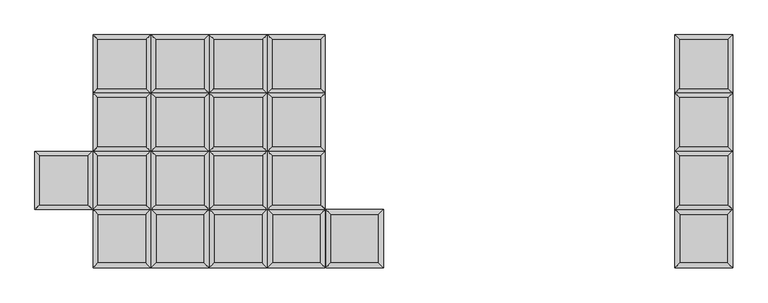
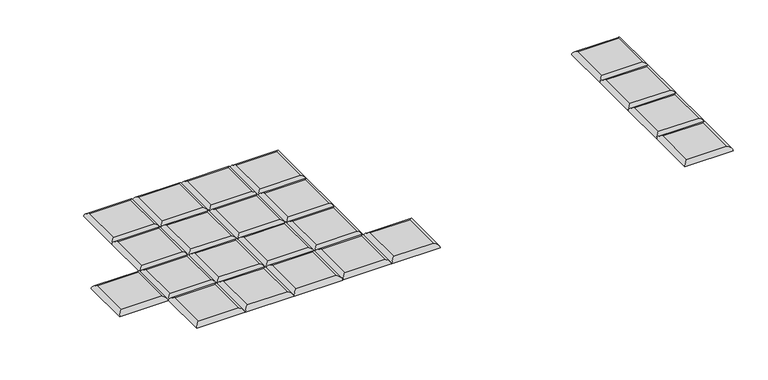
"""IFC4 building model written with IfcOpenShell, lengths in millimetres: furniture geometry."""

from ifc_helpers import new_model, si_unit, frame, origin, place, context, project, spatial, ellipse_curve, source, transform, mapped, element, save
from ifc_brep_helpers import plane_surface, cylinder_surface, advanced_brep


def furniture_75dfa59d(model_context):
    return source(origin(), model_context, "Body", "AdvancedBrep", [
        advanced_brep(
        [(-1.0968182, -222.25, 393.7), (-19.0573304, -240.2105122, 411.6605122), (-19.0573304, -426.5394878, 411.6605122), (-1.0968182, -444.5, 393.7), (-202.8463059, -426.5394878, 411.6605122), (-220.8068182, -444.5, 393.7), (-202.8463059, -240.2105122, 411.6605122), (-220.8068182, -222.25, 393.7)],
        [
            (0, 1, ellipse_curve(frame((-19.0573304, -240.2105122, 393.7), z_axis=(0.7071067811865475, -0.7071067811865475, 0.0), x_axis=(0.7071067811865474, 0.7071067811865476, 0.0)), 25.4, 17.9605122)),
            (1, 2),
            (2, 3, ellipse_curve(frame((-19.0573304, -426.5394878, 393.7), z_axis=(0.7071067811865475, 0.7071067811865475, 0.0), x_axis=(-0.7071067811865474, 0.7071067811865476, 0.0)), 25.4, 17.9605122)),
            (3, 0),
            (2, 4),
            (4, 5, ellipse_curve(frame((-202.8463059, -426.5394878, 393.7), z_axis=(0.7071067811865475, -0.7071067811865475, 0.0), x_axis=(0.7071067811865476, 0.7071067811865474, 0.0)), 25.4, 17.9605122)),
            (5, 3),
            (4, 6),
            (6, 7, ellipse_curve(frame((-202.8463059, -240.2105122, 393.7), z_axis=(-0.7071067811865475, -0.7071067811865475, 0.0), x_axis=(0.7071067811865474, -0.7071067811865476, 0.0)), 25.4, 17.9605122)),
            (7, 5),
            (0, 7),
            (6, 1),
        ],
        [
            cylinder_surface(frame((-19.0573304, -222.25, 393.7), z_axis=(0.0, 1.0, 0.0), x_axis=(1.0, 0.0, 0.0)), 17.9605122),
            cylinder_surface(frame((-1.0968182, -426.5394878, 393.7), z_axis=(1.0, 0.0, 0.0), x_axis=(0.0, -1.0, 0.0)), 17.9605122),
            cylinder_surface(frame((-202.8463059, -444.5, 393.7), z_axis=(0.0, -1.0, 0.0), x_axis=(-1.0, 0.0, 0.0)), 17.9605122),
            cylinder_surface(frame((-220.8068182, -240.2105122, 393.7), z_axis=(-1.0, 0.0, 0.0), x_axis=(0.0, 1.0, 0.0)), 17.9605122),
            plane_surface(frame((-220.8068182, -222.25, 393.7), z_axis=(0.0, 0.0, -1.0), x_axis=(1.0, 0.0, 0.0))),
            plane_surface(frame((-202.8463059, -240.2105122, 411.6605122), z_axis=(0.0, 0.0, 1.0), x_axis=(-1.0, 0.0, 0.0))),
        ],
        [
            (0, [[1, 2, 3, 4]]),
            (1, [[-3, 5, 6, 7]]),
            (2, [[-6, 8, 9, 10]]),
            (3, [[-1, 11, -9, 12]]),
            (4, [[-4, -7, -10, -11]]),
            (5, [[-2, -12, -8, -5]]),
        ],
    ),
        advanced_brep(
        [(-240.9609668, -204.2894878, 411.6605122), (-240.9609668, -17.9605122, 411.6605122), (-424.7499423, -17.9605122, 411.6605122), (-424.7499423, -204.2894878, 411.6605122), (-223.0004545, 0.0, 393.7), (-223.0004545, -222.25, 393.7), (-442.7104545, -222.25, 393.7), (-442.7104545, 0.0, 393.7)],
        [
            (0, 1),
            (1, 2),
            (2, 3),
            (3, 0),
            (4, 5),
            (5, 6),
            (6, 7),
            (7, 4),
            (4, 1, ellipse_curve(frame((-240.9609668, -17.9605122, 393.7), z_axis=(0.7071067811865475, -0.7071067811865475, 0.0), x_axis=(0.7071067811865474, 0.7071067811865476, 0.0)), 25.4, 17.9605122)),
            (0, 5, ellipse_curve(frame((-240.9609668, -204.2894878, 393.7), z_axis=(0.7071067811865475, 0.7071067811865475, 0.0), x_axis=(-0.7071067811865474, 0.7071067811865476, 0.0)), 25.4, 17.9605122)),
            (3, 6, ellipse_curve(frame((-424.7499423, -204.2894878, 393.7), z_axis=(0.7071067811865475, -0.7071067811865475, 0.0), x_axis=(0.7071067811865476, 0.7071067811865474, 0.0)), 25.4, 17.9605122)),
            (2, 7, ellipse_curve(frame((-424.7499423, -17.9605122, 393.7), z_axis=(-0.7071067811865475, -0.7071067811865475, 0.0), x_axis=(0.7071067811865474, -0.7071067811865476, 0.0)), 25.4, 17.9605122)),
        ],
        [
            plane_surface(frame((-424.7499423, -17.9605122, 411.6605122), z_axis=(0.0, 0.0, 1.0), x_axis=(-1.0, 0.0, 0.0))),
            plane_surface(frame((-424.7499423, -17.9605122, 393.7), z_axis=(0.0, 0.0, -1.0), x_axis=(1.0, 0.0, 0.0))),
            cylinder_surface(frame((-240.9609668, 0.0, 393.7), z_axis=(0.0, 1.0, 0.0), x_axis=(1.0, 0.0, 0.0)), 17.9605122),
            cylinder_surface(frame((-223.0004545, -204.2894878, 393.7), z_axis=(1.0, 0.0, 0.0), x_axis=(0.0, -1.0, 0.0)), 17.9605122),
            cylinder_surface(frame((-424.7499423, -222.25, 393.7), z_axis=(0.0, -1.0, 0.0), x_axis=(-1.0, 0.0, 0.0)), 17.9605122),
            cylinder_surface(frame((-442.7104545, -17.9605122, 393.7), z_axis=(-1.0, 0.0, 0.0), x_axis=(0.0, 1.0, 0.0)), 17.9605122),
        ],
        [
            (0, [[1, 2, 3, 4]]),
            (1, [[5, 6, 7, 8]]),
            (2, [[9, -1, 10, -5]]),
            (3, [[-10, -4, 11, -6]]),
            (4, [[-11, -3, 12, -7]]),
            (5, [[-9, -8, -12, -2]]),
        ],
    ),
        advanced_brep(
        [(-240.9609668, 17.9605122, 411.6605122), (-240.9609668, 204.2894878, 411.6605122), (-424.7499423, 204.2894878, 411.6605122), (-424.7499423, 17.9605122, 411.6605122), (-223.0004545, 222.25, 393.7), (-223.0004545, 0.0, 393.7), (-442.7104545, 0.0, 393.7), (-442.7104545, 222.25, 393.7)],
        [
            (0, 1),
            (1, 2),
            (2, 3),
            (3, 0),
            (4, 5),
            (5, 6),
            (6, 7),
            (7, 4),
            (4, 1, ellipse_curve(frame((-240.9609668, 204.2894878, 393.7), z_axis=(0.7071067811865475, -0.7071067811865475, 0.0), x_axis=(0.7071067811865474, 0.7071067811865476, 0.0)), 25.4, 17.9605122)),
            (0, 5, ellipse_curve(frame((-240.9609668, 17.9605122, 393.7), z_axis=(0.7071067811865475, 0.7071067811865475, 0.0), x_axis=(-0.7071067811865474, 0.7071067811865476, 0.0)), 25.4, 17.9605122)),
            (3, 6, ellipse_curve(frame((-424.7499423, 17.9605122, 393.7), z_axis=(0.7071067811865475, -0.7071067811865475, 0.0), x_axis=(0.7071067811865476, 0.7071067811865474, 0.0)), 25.4, 17.9605122)),
            (2, 7, ellipse_curve(frame((-424.7499423, 204.2894878, 393.7), z_axis=(-0.7071067811865475, -0.7071067811865475, 0.0), x_axis=(0.7071067811865474, -0.7071067811865476, 0.0)), 25.4, 17.9605122)),
        ],
        [
            plane_surface(frame((-424.7499423, 204.2894878, 411.6605122), z_axis=(0.0, 0.0, 1.0), x_axis=(-1.0, 0.0, 0.0))),
            plane_surface(frame((-424.7499423, 204.2894878, 393.7), z_axis=(0.0, 0.0, -1.0), x_axis=(1.0, 0.0, 0.0))),
            cylinder_surface(frame((-240.9609668, 222.25, 393.7), z_axis=(0.0, 1.0, 0.0), x_axis=(1.0, 0.0, 0.0)), 17.9605122),
            cylinder_surface(frame((-223.0004545, 17.9605122, 393.7), z_axis=(1.0, 0.0, 0.0), x_axis=(0.0, -1.0, 0.0)), 17.9605122),
            cylinder_surface(frame((-424.7499423, 0.0, 393.7), z_axis=(0.0, -1.0, 0.0), x_axis=(-1.0, 0.0, 0.0)), 17.9605122),
            cylinder_surface(frame((-442.7104545, 204.2894878, 393.7), z_axis=(-1.0, 0.0, 0.0), x_axis=(0.0, 1.0, 0.0)), 17.9605122),
        ],
        [
            (0, [[1, 2, 3, 4]]),
            (1, [[5, 6, 7, 8]]),
            (2, [[9, -1, 10, -5]]),
            (3, [[-10, -4, 11, -6]]),
            (4, [[-11, -3, 12, -7]]),
            (5, [[-9, -8, -12, -2]]),
        ],
    ),
        advanced_brep(
        [(-240.9609668, 240.2105122, 411.6605122), (-240.9609668, 426.5394878, 411.6605122), (-424.7499423, 426.5394878, 411.6605122), (-424.7499423, 240.2105122, 411.6605122), (-223.0004545, 444.5, 393.7), (-223.0004545, 222.25, 393.7), (-442.7104545, 222.25, 393.7), (-442.7104545, 444.5, 393.7)],
        [
            (0, 1),
            (1, 2),
            (2, 3),
            (3, 0),
            (4, 5),
            (5, 6),
            (6, 7),
            (7, 4),
            (4, 1, ellipse_curve(frame((-240.9609668, 426.5394878, 393.7), z_axis=(0.7071067811865475, -0.7071067811865475, 0.0), x_axis=(0.7071067811865474, 0.7071067811865476, 0.0)), 25.4, 17.9605122)),
            (0, 5, ellipse_curve(frame((-240.9609668, 240.2105122, 393.7), z_axis=(0.7071067811865475, 0.7071067811865475, 0.0), x_axis=(-0.7071067811865474, 0.7071067811865476, 0.0)), 25.4, 17.9605122)),
            (3, 6, ellipse_curve(frame((-424.7499423, 240.2105122, 393.7), z_axis=(0.7071067811865475, -0.7071067811865475, 0.0), x_axis=(0.7071067811865476, 0.7071067811865474, 0.0)), 25.4, 17.9605122)),
            (2, 7, ellipse_curve(frame((-424.7499423, 426.5394878, 393.7), z_axis=(-0.7071067811865475, -0.7071067811865475, 0.0), x_axis=(0.7071067811865474, -0.7071067811865476, 0.0)), 25.4, 17.9605122)),
        ],
        [
            plane_surface(frame((-424.7499423, 426.5394878, 411.6605122), z_axis=(0.0, 0.0, 1.0), x_axis=(-1.0, 0.0, 0.0))),
            plane_surface(frame((-424.7499423, 426.5394878, 393.7), z_axis=(0.0, 0.0, -1.0), x_axis=(1.0, 0.0, 0.0))),
            cylinder_surface(frame((-240.9609668, 444.5, 393.7), z_axis=(0.0, 1.0, 0.0), x_axis=(1.0, 0.0, 0.0)), 17.9605122),
            cylinder_surface(frame((-223.0004545, 240.2105122, 393.7), z_axis=(1.0, 0.0, 0.0), x_axis=(0.0, -1.0, 0.0)), 17.9605122),
            cylinder_surface(frame((-424.7499423, 222.25, 393.7), z_axis=(0.0, -1.0, 0.0), x_axis=(-1.0, 0.0, 0.0)), 17.9605122),
            cylinder_surface(frame((-442.7104545, 426.5394878, 393.7), z_axis=(-1.0, 0.0, 0.0), x_axis=(0.0, 1.0, 0.0)), 17.9605122),
        ],
        [
            (0, [[1, 2, 3, 4]]),
            (1, [[5, 6, 7, 8]]),
            (2, [[9, -1, 10, -5]]),
            (3, [[-10, -4, 11, -6]]),
            (4, [[-11, -3, 12, -7]]),
            (5, [[-9, -8, -12, -2]]),
        ],
    ),
        advanced_brep(
        [(-223.0004545, -222.25, 393.7), (-240.9609668, -240.2105122, 411.6605122), (-240.9609668, -426.5394878, 411.6605122), (-223.0004545, -444.5, 393.7), (-424.7499423, -426.5394878, 411.6605122), (-442.7104545, -444.5, 393.7), (-424.7499423, -240.2105122, 411.6605122), (-442.7104545, -222.25, 393.7)],
        [
            (0, 1, ellipse_curve(frame((-240.9609668, -240.2105122, 393.7), z_axis=(0.7071067811865475, -0.7071067811865475, 0.0), x_axis=(0.7071067811865474, 0.7071067811865476, 0.0)), 25.4, 17.9605122)),
            (1, 2),
            (2, 3, ellipse_curve(frame((-240.9609668, -426.5394878, 393.7), z_axis=(0.7071067811865475, 0.7071067811865475, 0.0), x_axis=(-0.7071067811865474, 0.7071067811865476, 0.0)), 25.4, 17.9605122)),
            (3, 0),
            (2, 4),
            (4, 5, ellipse_curve(frame((-424.7499423, -426.5394878, 393.7), z_axis=(0.7071067811865475, -0.7071067811865475, 0.0), x_axis=(0.7071067811865476, 0.7071067811865474, 0.0)), 25.4, 17.9605122)),
            (5, 3),
            (4, 6),
            (6, 7, ellipse_curve(frame((-424.7499423, -240.2105122, 393.7), z_axis=(-0.7071067811865475, -0.7071067811865475, 0.0), x_axis=(0.7071067811865474, -0.7071067811865476, 0.0)), 25.4, 17.9605122)),
            (7, 5),
            (0, 7),
            (6, 1),
        ],
        [
            cylinder_surface(frame((-240.9609668, -222.25, 393.7), z_axis=(0.0, 1.0, 0.0), x_axis=(1.0, 0.0, 0.0)), 17.9605122),
            cylinder_surface(frame((-223.0004545, -426.5394878, 393.7), z_axis=(1.0, 0.0, 0.0), x_axis=(0.0, -1.0, 0.0)), 17.9605122),
            cylinder_surface(frame((-424.7499423, -444.5, 393.7), z_axis=(0.0, -1.0, 0.0), x_axis=(-1.0, 0.0, 0.0)), 17.9605122),
            cylinder_surface(frame((-442.7104545, -240.2105122, 393.7), z_axis=(-1.0, 0.0, 0.0), x_axis=(0.0, 1.0, 0.0)), 17.9605122),
            plane_surface(frame((-442.7104545, -222.25, 393.7), z_axis=(0.0, 0.0, -1.0), x_axis=(1.0, 0.0, 0.0))),
            plane_surface(frame((-424.7499423, -240.2105122, 411.6605122), z_axis=(0.0, 0.0, 1.0), x_axis=(-1.0, 0.0, 0.0))),
        ],
        [
            (0, [[1, 2, 3, 4]]),
            (1, [[-3, 5, 6, 7]]),
            (2, [[-6, 8, 9, 10]]),
            (3, [[-1, 11, -9, 12]]),
            (4, [[-4, -7, -10, -11]]),
            (5, [[-2, -12, -8, -5]]),
        ],
    ),
        advanced_brep(
        [(-462.8646032, -204.2894878, 411.6605122), (-462.8646032, -17.9605122, 411.6605122), (-646.6535787, -17.9605122, 411.6605122), (-646.6535787, -204.2894878, 411.6605122), (-444.9040909, 0.0, 393.7), (-444.9040909, -222.25, 393.7), (-664.6140909, -222.25, 393.7), (-664.6140909, 0.0, 393.7)],
        [
            (0, 1),
            (1, 2),
            (2, 3),
            (3, 0),
            (4, 5),
            (5, 6),
            (6, 7),
            (7, 4),
            (4, 1, ellipse_curve(frame((-462.8646032, -17.9605122, 393.7), z_axis=(0.7071067811865475, -0.7071067811865475, 0.0), x_axis=(0.7071067811865474, 0.7071067811865476, 0.0)), 25.4, 17.9605122)),
            (0, 5, ellipse_curve(frame((-462.8646032, -204.2894878, 393.7), z_axis=(0.7071067811865475, 0.7071067811865475, 0.0), x_axis=(-0.7071067811865474, 0.7071067811865476, 0.0)), 25.4, 17.9605122)),
            (3, 6, ellipse_curve(frame((-646.6535787, -204.2894878, 393.7), z_axis=(0.7071067811865475, -0.7071067811865475, 0.0), x_axis=(0.7071067811865476, 0.7071067811865474, 0.0)), 25.4, 17.9605122)),
            (2, 7, ellipse_curve(frame((-646.6535787, -17.9605122, 393.7), z_axis=(-0.7071067811865475, -0.7071067811865475, 0.0), x_axis=(0.7071067811865474, -0.7071067811865476, 0.0)), 25.4, 17.9605122)),
        ],
        [
            plane_surface(frame((-646.6535787, -17.9605122, 411.6605122), z_axis=(0.0, 0.0, 1.0), x_axis=(-1.0, 0.0, 0.0))),
            plane_surface(frame((-646.6535787, -17.9605122, 393.7), z_axis=(0.0, 0.0, -1.0), x_axis=(1.0, 0.0, 0.0))),
            cylinder_surface(frame((-462.8646032, 0.0, 393.7), z_axis=(0.0, 1.0, 0.0), x_axis=(1.0, 0.0, 0.0)), 17.9605122),
            cylinder_surface(frame((-444.9040909, -204.2894878, 393.7), z_axis=(1.0, 0.0, 0.0), x_axis=(0.0, -1.0, 0.0)), 17.9605122),
            cylinder_surface(frame((-646.6535787, -222.25, 393.7), z_axis=(0.0, -1.0, 0.0), x_axis=(-1.0, 0.0, 0.0)), 17.9605122),
            cylinder_surface(frame((-664.6140909, -17.9605122, 393.7), z_axis=(-1.0, 0.0, 0.0), x_axis=(0.0, 1.0, 0.0)), 17.9605122),
        ],
        [
            (0, [[1, 2, 3, 4]]),
            (1, [[5, 6, 7, 8]]),
            (2, [[9, -1, 10, -5]]),
            (3, [[-10, -4, 11, -6]]),
            (4, [[-11, -3, 12, -7]]),
            (5, [[-9, -8, -12, -2]]),
        ],
    ),
        advanced_brep(
        [(-462.8646032, 17.9605122, 411.6605122), (-462.8646032, 204.2894878, 411.6605122), (-646.6535787, 204.2894878, 411.6605122), (-646.6535787, 17.9605122, 411.6605122), (-444.9040909, 222.25, 393.7), (-444.9040909, 0.0, 393.7), (-664.6140909, 0.0, 393.7), (-664.6140909, 222.25, 393.7)],
        [
            (0, 1),
            (1, 2),
            (2, 3),
            (3, 0),
            (4, 5),
            (5, 6),
            (6, 7),
            (7, 4),
            (4, 1, ellipse_curve(frame((-462.8646032, 204.2894878, 393.7), z_axis=(0.7071067811865475, -0.7071067811865475, 0.0), x_axis=(0.7071067811865474, 0.7071067811865476, 0.0)), 25.4, 17.9605122)),
            (0, 5, ellipse_curve(frame((-462.8646032, 17.9605122, 393.7), z_axis=(0.7071067811865475, 0.7071067811865475, 0.0), x_axis=(-0.7071067811865474, 0.7071067811865476, 0.0)), 25.4, 17.9605122)),
            (3, 6, ellipse_curve(frame((-646.6535787, 17.9605122, 393.7), z_axis=(0.7071067811865475, -0.7071067811865475, 0.0), x_axis=(0.7071067811865476, 0.7071067811865474, 0.0)), 25.4, 17.9605122)),
            (2, 7, ellipse_curve(frame((-646.6535787, 204.2894878, 393.7), z_axis=(-0.7071067811865475, -0.7071067811865475, 0.0), x_axis=(0.7071067811865474, -0.7071067811865476, 0.0)), 25.4, 17.9605122)),
        ],
        [
            plane_surface(frame((-646.6535787, 204.2894878, 411.6605122), z_axis=(0.0, 0.0, 1.0), x_axis=(-1.0, 0.0, 0.0))),
            plane_surface(frame((-646.6535787, 204.2894878, 393.7), z_axis=(0.0, 0.0, -1.0), x_axis=(1.0, 0.0, 0.0))),
            cylinder_surface(frame((-462.8646032, 222.25, 393.7), z_axis=(0.0, 1.0, 0.0), x_axis=(1.0, 0.0, 0.0)), 17.9605122),
            cylinder_surface(frame((-444.9040909, 17.9605122, 393.7), z_axis=(1.0, 0.0, 0.0), x_axis=(0.0, -1.0, 0.0)), 17.9605122),
            cylinder_surface(frame((-646.6535787, 0.0, 393.7), z_axis=(0.0, -1.0, 0.0), x_axis=(-1.0, 0.0, 0.0)), 17.9605122),
            cylinder_surface(frame((-664.6140909, 204.2894878, 393.7), z_axis=(-1.0, 0.0, 0.0), x_axis=(0.0, 1.0, 0.0)), 17.9605122),
        ],
        [
            (0, [[1, 2, 3, 4]]),
            (1, [[5, 6, 7, 8]]),
            (2, [[9, -1, 10, -5]]),
            (3, [[-10, -4, 11, -6]]),
            (4, [[-11, -3, 12, -7]]),
            (5, [[-9, -8, -12, -2]]),
        ],
    ),
        advanced_brep(
        [(-462.8646032, 240.2105122, 411.6605122), (-462.8646032, 426.5394878, 411.6605122), (-646.6535787, 426.5394878, 411.6605122), (-646.6535787, 240.2105122, 411.6605122), (-444.9040909, 444.5, 393.7), (-444.9040909, 222.25, 393.7), (-664.6140909, 222.25, 393.7), (-664.6140909, 444.5, 393.7)],
        [
            (0, 1),
            (1, 2),
            (2, 3),
            (3, 0),
            (4, 5),
            (5, 6),
            (6, 7),
            (7, 4),
            (4, 1, ellipse_curve(frame((-462.8646032, 426.5394878, 393.7), z_axis=(0.7071067811865475, -0.7071067811865475, 0.0), x_axis=(0.7071067811865474, 0.7071067811865476, 0.0)), 25.4, 17.9605122)),
            (0, 5, ellipse_curve(frame((-462.8646032, 240.2105122, 393.7), z_axis=(0.7071067811865475, 0.7071067811865475, 0.0), x_axis=(-0.7071067811865474, 0.7071067811865476, 0.0)), 25.4, 17.9605122)),
            (3, 6, ellipse_curve(frame((-646.6535787, 240.2105122, 393.7), z_axis=(0.7071067811865475, -0.7071067811865475, 0.0), x_axis=(0.7071067811865476, 0.7071067811865474, 0.0)), 25.4, 17.9605122)),
            (2, 7, ellipse_curve(frame((-646.6535787, 426.5394878, 393.7), z_axis=(-0.7071067811865475, -0.7071067811865475, 0.0), x_axis=(0.7071067811865474, -0.7071067811865476, 0.0)), 25.4, 17.9605122)),
        ],
        [
            plane_surface(frame((-646.6535787, 426.5394878, 411.6605122), z_axis=(0.0, 0.0, 1.0), x_axis=(-1.0, 0.0, 0.0))),
            plane_surface(frame((-646.6535787, 426.5394878, 393.7), z_axis=(0.0, 0.0, -1.0), x_axis=(1.0, 0.0, 0.0))),
            cylinder_surface(frame((-462.8646032, 444.5, 393.7), z_axis=(0.0, 1.0, 0.0), x_axis=(1.0, 0.0, 0.0)), 17.9605122),
            cylinder_surface(frame((-444.9040909, 240.2105122, 393.7), z_axis=(1.0, 0.0, 0.0), x_axis=(0.0, -1.0, 0.0)), 17.9605122),
            cylinder_surface(frame((-646.6535787, 222.25, 393.7), z_axis=(0.0, -1.0, 0.0), x_axis=(-1.0, 0.0, 0.0)), 17.9605122),
            cylinder_surface(frame((-664.6140909, 426.5394878, 393.7), z_axis=(-1.0, 0.0, 0.0), x_axis=(0.0, 1.0, 0.0)), 17.9605122),
        ],
        [
            (0, [[1, 2, 3, 4]]),
            (1, [[5, 6, 7, 8]]),
            (2, [[9, -1, 10, -5]]),
            (3, [[-10, -4, 11, -6]]),
            (4, [[-11, -3, 12, -7]]),
            (5, [[-9, -8, -12, -2]]),
        ],
    ),
        advanced_brep(
        [(-444.9040909, -222.25, 393.7), (-462.8646032, -240.2105122, 411.6605122), (-462.8646032, -426.5394878, 411.6605122), (-444.9040909, -444.5, 393.7), (-646.6535787, -426.5394878, 411.6605122), (-664.6140909, -444.5, 393.7), (-646.6535787, -240.2105122, 411.6605122), (-664.6140909, -222.25, 393.7)],
        [
            (0, 1, ellipse_curve(frame((-462.8646032, -240.2105122, 393.7), z_axis=(0.7071067811865475, -0.7071067811865475, 0.0), x_axis=(0.7071067811865474, 0.7071067811865476, 0.0)), 25.4, 17.9605122)),
            (1, 2),
            (2, 3, ellipse_curve(frame((-462.8646032, -426.5394878, 393.7), z_axis=(0.7071067811865475, 0.7071067811865475, 0.0), x_axis=(-0.7071067811865474, 0.7071067811865476, 0.0)), 25.4, 17.9605122)),
            (3, 0),
            (2, 4),
            (4, 5, ellipse_curve(frame((-646.6535787, -426.5394878, 393.7), z_axis=(0.7071067811865475, -0.7071067811865475, 0.0), x_axis=(0.7071067811865476, 0.7071067811865474, 0.0)), 25.4, 17.9605122)),
            (5, 3),
            (4, 6),
            (6, 7, ellipse_curve(frame((-646.6535787, -240.2105122, 393.7), z_axis=(-0.7071067811865475, -0.7071067811865475, 0.0), x_axis=(0.7071067811865474, -0.7071067811865476, 0.0)), 25.4, 17.9605122)),
            (7, 5),
            (0, 7),
            (6, 1),
        ],
        [
            cylinder_surface(frame((-462.8646032, -222.25, 393.7), z_axis=(0.0, 1.0, 0.0), x_axis=(1.0, 0.0, 0.0)), 17.9605122),
            cylinder_surface(frame((-444.9040909, -426.5394878, 393.7), z_axis=(1.0, 0.0, 0.0), x_axis=(0.0, -1.0, 0.0)), 17.9605122),
            cylinder_surface(frame((-646.6535787, -444.5, 393.7), z_axis=(0.0, -1.0, 0.0), x_axis=(-1.0, 0.0, 0.0)), 17.9605122),
            cylinder_surface(frame((-664.6140909, -240.2105122, 393.7), z_axis=(-1.0, 0.0, 0.0), x_axis=(0.0, 1.0, 0.0)), 17.9605122),
            plane_surface(frame((-664.6140909, -222.25, 393.7), z_axis=(0.0, 0.0, -1.0), x_axis=(1.0, 0.0, 0.0))),
            plane_surface(frame((-646.6535787, -240.2105122, 411.6605122), z_axis=(0.0, 0.0, 1.0), x_axis=(-1.0, 0.0, 0.0))),
        ],
        [
            (0, [[1, 2, 3, 4]]),
            (1, [[-3, 5, 6, 7]]),
            (2, [[-6, 8, 9, 10]]),
            (3, [[-1, 11, -9, 12]]),
            (4, [[-4, -7, -10, -11]]),
            (5, [[-2, -12, -8, -5]]),
        ],
    ),
        advanced_brep(
        [(-684.7682395, -204.2894878, 411.6605122), (-684.7682395, -17.9605122, 411.6605122), (-868.557215, -17.9605122, 411.6605122), (-868.557215, -204.2894878, 411.6605122), (-666.8077273, 0.0, 393.7), (-666.8077273, -222.25, 393.7), (-886.5177273, -222.25, 393.7), (-886.5177273, 0.0, 393.7)],
        [
            (0, 1),
            (1, 2),
            (2, 3),
            (3, 0),
            (4, 5),
            (5, 6),
            (6, 7),
            (7, 4),
            (4, 1, ellipse_curve(frame((-684.7682395, -17.9605122, 393.7), z_axis=(0.7071067811865475, -0.7071067811865475, 0.0), x_axis=(0.7071067811865474, 0.7071067811865476, 0.0)), 25.4, 17.9605122)),
            (0, 5, ellipse_curve(frame((-684.7682395, -204.2894878, 393.7), z_axis=(0.7071067811865475, 0.7071067811865475, 0.0), x_axis=(-0.7071067811865474, 0.7071067811865476, 0.0)), 25.4, 17.9605122)),
            (3, 6, ellipse_curve(frame((-868.557215, -204.2894878, 393.7), z_axis=(0.7071067811865475, -0.7071067811865475, 0.0), x_axis=(0.7071067811865476, 0.7071067811865474, 0.0)), 25.4, 17.9605122)),
            (2, 7, ellipse_curve(frame((-868.557215, -17.9605122, 393.7), z_axis=(-0.7071067811865475, -0.7071067811865475, 0.0), x_axis=(0.7071067811865474, -0.7071067811865476, 0.0)), 25.4, 17.9605122)),
        ],
        [
            plane_surface(frame((-868.557215, -17.9605122, 411.6605122), z_axis=(0.0, 0.0, 1.0), x_axis=(-1.0, 0.0, 0.0))),
            plane_surface(frame((-868.557215, -17.9605122, 393.7), z_axis=(0.0, 0.0, -1.0), x_axis=(1.0, 0.0, 0.0))),
            cylinder_surface(frame((-684.7682395, 0.0, 393.7), z_axis=(0.0, 1.0, 0.0), x_axis=(1.0, 0.0, 0.0)), 17.9605122),
            cylinder_surface(frame((-666.8077273, -204.2894878, 393.7), z_axis=(1.0, 0.0, 0.0), x_axis=(0.0, -1.0, 0.0)), 17.9605122),
            cylinder_surface(frame((-868.557215, -222.25, 393.7), z_axis=(0.0, -1.0, 0.0), x_axis=(-1.0, 0.0, 0.0)), 17.9605122),
            cylinder_surface(frame((-886.5177273, -17.9605122, 393.7), z_axis=(-1.0, 0.0, 0.0), x_axis=(0.0, 1.0, 0.0)), 17.9605122),
        ],
        [
            (0, [[1, 2, 3, 4]]),
            (1, [[5, 6, 7, 8]]),
            (2, [[9, -1, 10, -5]]),
            (3, [[-10, -4, 11, -6]]),
            (4, [[-11, -3, 12, -7]]),
            (5, [[-9, -8, -12, -2]]),
        ],
    ),
        advanced_brep(
        [(-684.7682395, 17.9605122, 411.6605122), (-684.7682395, 204.2894878, 411.6605122), (-868.557215, 204.2894878, 411.6605122), (-868.557215, 17.9605122, 411.6605122), (-666.8077273, 222.25, 393.7), (-666.8077273, 0.0, 393.7), (-886.5177273, 0.0, 393.7), (-886.5177273, 222.25, 393.7)],
        [
            (0, 1),
            (1, 2),
            (2, 3),
            (3, 0),
            (4, 5),
            (5, 6),
            (6, 7),
            (7, 4),
            (4, 1, ellipse_curve(frame((-684.7682395, 204.2894878, 393.7), z_axis=(0.7071067811865475, -0.7071067811865475, 0.0), x_axis=(0.7071067811865474, 0.7071067811865476, 0.0)), 25.4, 17.9605122)),
            (0, 5, ellipse_curve(frame((-684.7682395, 17.9605122, 393.7), z_axis=(0.7071067811865475, 0.7071067811865475, 0.0), x_axis=(-0.7071067811865474, 0.7071067811865476, 0.0)), 25.4, 17.9605122)),
            (3, 6, ellipse_curve(frame((-868.557215, 17.9605122, 393.7), z_axis=(0.7071067811865475, -0.7071067811865475, 0.0), x_axis=(0.7071067811865476, 0.7071067811865474, 0.0)), 25.4, 17.9605122)),
            (2, 7, ellipse_curve(frame((-868.557215, 204.2894878, 393.7), z_axis=(-0.7071067811865475, -0.7071067811865475, 0.0), x_axis=(0.7071067811865474, -0.7071067811865476, 0.0)), 25.4, 17.9605122)),
        ],
        [
            plane_surface(frame((-868.557215, 204.2894878, 411.6605122), z_axis=(0.0, 0.0, 1.0), x_axis=(-1.0, 0.0, 0.0))),
            plane_surface(frame((-868.557215, 204.2894878, 393.7), z_axis=(0.0, 0.0, -1.0), x_axis=(1.0, 0.0, 0.0))),
            cylinder_surface(frame((-684.7682395, 222.25, 393.7), z_axis=(0.0, 1.0, 0.0), x_axis=(1.0, 0.0, 0.0)), 17.9605122),
            cylinder_surface(frame((-666.8077273, 17.9605122, 393.7), z_axis=(1.0, 0.0, 0.0), x_axis=(0.0, -1.0, 0.0)), 17.9605122),
            cylinder_surface(frame((-868.557215, 0.0, 393.7), z_axis=(0.0, -1.0, 0.0), x_axis=(-1.0, 0.0, 0.0)), 17.9605122),
            cylinder_surface(frame((-886.5177273, 204.2894878, 393.7), z_axis=(-1.0, 0.0, 0.0), x_axis=(0.0, 1.0, 0.0)), 17.9605122),
        ],
        [
            (0, [[1, 2, 3, 4]]),
            (1, [[5, 6, 7, 8]]),
            (2, [[9, -1, 10, -5]]),
            (3, [[-10, -4, 11, -6]]),
            (4, [[-11, -3, 12, -7]]),
            (5, [[-9, -8, -12, -2]]),
        ],
    ),
        advanced_brep(
        [(-684.7682395, 240.2105122, 411.6605122), (-684.7682395, 426.5394878, 411.6605122), (-868.557215, 426.5394878, 411.6605122), (-868.557215, 240.2105122, 411.6605122), (-666.8077273, 444.5, 393.7), (-666.8077273, 222.25, 393.7), (-886.5177273, 222.25, 393.7), (-886.5177273, 444.5, 393.7)],
        [
            (0, 1),
            (1, 2),
            (2, 3),
            (3, 0),
            (4, 5),
            (5, 6),
            (6, 7),
            (7, 4),
            (4, 1, ellipse_curve(frame((-684.7682395, 426.5394878, 393.7), z_axis=(0.7071067811865475, -0.7071067811865475, 0.0), x_axis=(0.7071067811865474, 0.7071067811865476, 0.0)), 25.4, 17.9605122)),
            (0, 5, ellipse_curve(frame((-684.7682395, 240.2105122, 393.7), z_axis=(0.7071067811865475, 0.7071067811865475, 0.0), x_axis=(-0.7071067811865474, 0.7071067811865476, 0.0)), 25.4, 17.9605122)),
            (3, 6, ellipse_curve(frame((-868.557215, 240.2105122, 393.7), z_axis=(0.7071067811865475, -0.7071067811865475, 0.0), x_axis=(0.7071067811865476, 0.7071067811865474, 0.0)), 25.4, 17.9605122)),
            (2, 7, ellipse_curve(frame((-868.557215, 426.5394878, 393.7), z_axis=(-0.7071067811865475, -0.7071067811865475, 0.0), x_axis=(0.7071067811865474, -0.7071067811865476, 0.0)), 25.4, 17.9605122)),
        ],
        [
            plane_surface(frame((-868.557215, 426.5394878, 411.6605122), z_axis=(0.0, 0.0, 1.0), x_axis=(-1.0, 0.0, 0.0))),
            plane_surface(frame((-868.557215, 426.5394878, 393.7), z_axis=(0.0, 0.0, -1.0), x_axis=(1.0, 0.0, 0.0))),
            cylinder_surface(frame((-684.7682395, 444.5, 393.7), z_axis=(0.0, 1.0, 0.0), x_axis=(1.0, 0.0, 0.0)), 17.9605122),
            cylinder_surface(frame((-666.8077273, 240.2105122, 393.7), z_axis=(1.0, 0.0, 0.0), x_axis=(0.0, -1.0, 0.0)), 17.9605122),
            cylinder_surface(frame((-868.557215, 222.25, 393.7), z_axis=(0.0, -1.0, 0.0), x_axis=(-1.0, 0.0, 0.0)), 17.9605122),
            cylinder_surface(frame((-886.5177273, 426.5394878, 393.7), z_axis=(-1.0, 0.0, 0.0), x_axis=(0.0, 1.0, 0.0)), 17.9605122),
        ],
        [
            (0, [[1, 2, 3, 4]]),
            (1, [[5, 6, 7, 8]]),
            (2, [[9, -1, 10, -5]]),
            (3, [[-10, -4, 11, -6]]),
            (4, [[-11, -3, 12, -7]]),
            (5, [[-9, -8, -12, -2]]),
        ],
    ),
        advanced_brep(
        [(-666.8077273, -222.25, 393.7), (-684.7682395, -240.2105122, 411.6605122), (-684.7682395, -426.5394878, 411.6605122), (-666.8077273, -444.5, 393.7), (-868.557215, -426.5394878, 411.6605122), (-886.5177273, -444.5, 393.7), (-868.557215, -240.2105122, 411.6605122), (-886.5177273, -222.25, 393.7)],
        [
            (0, 1, ellipse_curve(frame((-684.7682395, -240.2105122, 393.7), z_axis=(0.7071067811865475, -0.7071067811865475, 0.0), x_axis=(0.7071067811865474, 0.7071067811865476, 0.0)), 25.4, 17.9605122)),
            (1, 2),
            (2, 3, ellipse_curve(frame((-684.7682395, -426.5394878, 393.7), z_axis=(0.7071067811865475, 0.7071067811865475, 0.0), x_axis=(-0.7071067811865474, 0.7071067811865476, 0.0)), 25.4, 17.9605122)),
            (3, 0),
            (2, 4),
            (4, 5, ellipse_curve(frame((-868.557215, -426.5394878, 393.7), z_axis=(0.7071067811865475, -0.7071067811865475, 0.0), x_axis=(0.7071067811865476, 0.7071067811865474, 0.0)), 25.4, 17.9605122)),
            (5, 3),
            (4, 6),
            (6, 7, ellipse_curve(frame((-868.557215, -240.2105122, 393.7), z_axis=(-0.7071067811865475, -0.7071067811865475, 0.0), x_axis=(0.7071067811865474, -0.7071067811865476, 0.0)), 25.4, 17.9605122)),
            (7, 5),
            (0, 7),
            (6, 1),
        ],
        [
            cylinder_surface(frame((-684.7682395, -222.25, 393.7), z_axis=(0.0, 1.0, 0.0), x_axis=(1.0, 0.0, 0.0)), 17.9605122),
            cylinder_surface(frame((-666.8077273, -426.5394878, 393.7), z_axis=(1.0, 0.0, 0.0), x_axis=(0.0, -1.0, 0.0)), 17.9605122),
            cylinder_surface(frame((-868.557215, -444.5, 393.7), z_axis=(0.0, -1.0, 0.0), x_axis=(-1.0, 0.0, 0.0)), 17.9605122),
            cylinder_surface(frame((-886.5177273, -240.2105122, 393.7), z_axis=(-1.0, 0.0, 0.0), x_axis=(0.0, 1.0, 0.0)), 17.9605122),
            plane_surface(frame((-886.5177273, -222.25, 393.7), z_axis=(0.0, 0.0, -1.0), x_axis=(1.0, 0.0, 0.0))),
            plane_surface(frame((-868.557215, -240.2105122, 411.6605122), z_axis=(0.0, 0.0, 1.0), x_axis=(-1.0, 0.0, 0.0))),
        ],
        [
            (0, [[1, 2, 3, 4]]),
            (1, [[-3, 5, 6, 7]]),
            (2, [[-6, 8, 9, 10]]),
            (3, [[-1, 11, -9, 12]]),
            (4, [[-4, -7, -10, -11]]),
            (5, [[-2, -12, -8, -5]]),
        ],
    ),
        advanced_brep(
        [(-906.6718759, -204.2894878, 411.6605122), (-906.6718759, -17.9605122, 411.6605122), (-1090.4608514, -17.9605122, 411.6605122), (-1090.4608514, -204.2894878, 411.6605122), (-888.7113636, 0.0, 393.7), (-888.7113636, -222.25, 393.7), (-1108.4213636, -222.25, 393.7), (-1108.4213636, 0.0, 393.7)],
        [
            (0, 1),
            (1, 2),
            (2, 3),
            (3, 0),
            (4, 5),
            (5, 6),
            (6, 7),
            (7, 4),
            (4, 1, ellipse_curve(frame((-906.6718759, -17.9605122, 393.7), z_axis=(0.7071067811865475, -0.7071067811865475, 0.0), x_axis=(0.7071067811865474, 0.7071067811865476, 0.0)), 25.4, 17.9605122)),
            (0, 5, ellipse_curve(frame((-906.6718759, -204.2894878, 393.7), z_axis=(0.7071067811865475, 0.7071067811865475, 0.0), x_axis=(-0.7071067811865474, 0.7071067811865476, 0.0)), 25.4, 17.9605122)),
            (3, 6, ellipse_curve(frame((-1090.4608514, -204.2894878, 393.7), z_axis=(0.7071067811865475, -0.7071067811865475, 0.0), x_axis=(0.7071067811865476, 0.7071067811865474, 0.0)), 25.4, 17.9605122)),
            (2, 7, ellipse_curve(frame((-1090.4608514, -17.9605122, 393.7), z_axis=(-0.7071067811865475, -0.7071067811865475, 0.0), x_axis=(0.7071067811865474, -0.7071067811865476, 0.0)), 25.4, 17.9605122)),
        ],
        [
            plane_surface(frame((-1090.4608514, -17.9605122, 411.6605122), z_axis=(0.0, 0.0, 1.0), x_axis=(-1.0, 0.0, 0.0))),
            plane_surface(frame((-1090.4608514, -17.9605122, 393.7), z_axis=(0.0, 0.0, -1.0), x_axis=(1.0, 0.0, 0.0))),
            cylinder_surface(frame((-906.6718759, 0.0, 393.7), z_axis=(0.0, 1.0, 0.0), x_axis=(1.0, 0.0, 0.0)), 17.9605122),
            cylinder_surface(frame((-888.7113636, -204.2894878, 393.7), z_axis=(1.0, 0.0, 0.0), x_axis=(0.0, -1.0, 0.0)), 17.9605122),
            cylinder_surface(frame((-1090.4608514, -222.25, 393.7), z_axis=(0.0, -1.0, 0.0), x_axis=(-1.0, 0.0, 0.0)), 17.9605122),
            cylinder_surface(frame((-1108.4213636, -17.9605122, 393.7), z_axis=(-1.0, 0.0, 0.0), x_axis=(0.0, 1.0, 0.0)), 17.9605122),
        ],
        [
            (0, [[1, 2, 3, 4]]),
            (1, [[5, 6, 7, 8]]),
            (2, [[9, -1, 10, -5]]),
            (3, [[-10, -4, 11, -6]]),
            (4, [[-11, -3, 12, -7]]),
            (5, [[-9, -8, -12, -2]]),
        ],
    ),
        advanced_brep(
        [(-906.6718759, 17.9605122, 411.6605122), (-906.6718759, 204.2894878, 411.6605122), (-1090.4608514, 204.2894878, 411.6605122), (-1090.4608514, 17.9605122, 411.6605122), (-888.7113636, 222.25, 393.7), (-888.7113636, 0.0, 393.7), (-1108.4213636, 0.0, 393.7), (-1108.4213636, 222.25, 393.7)],
        [
            (0, 1),
            (1, 2),
            (2, 3),
            (3, 0),
            (4, 5),
            (5, 6),
            (6, 7),
            (7, 4),
            (4, 1, ellipse_curve(frame((-906.6718759, 204.2894878, 393.7), z_axis=(0.7071067811865475, -0.7071067811865475, 0.0), x_axis=(0.7071067811865474, 0.7071067811865476, 0.0)), 25.4, 17.9605122)),
            (0, 5, ellipse_curve(frame((-906.6718759, 17.9605122, 393.7), z_axis=(0.7071067811865475, 0.7071067811865475, 0.0), x_axis=(-0.7071067811865474, 0.7071067811865476, 0.0)), 25.4, 17.9605122)),
            (3, 6, ellipse_curve(frame((-1090.4608514, 17.9605122, 393.7), z_axis=(0.7071067811865475, -0.7071067811865475, 0.0), x_axis=(0.7071067811865476, 0.7071067811865474, 0.0)), 25.4, 17.9605122)),
            (2, 7, ellipse_curve(frame((-1090.4608514, 204.2894878, 393.7), z_axis=(-0.7071067811865475, -0.7071067811865475, 0.0), x_axis=(0.7071067811865474, -0.7071067811865476, 0.0)), 25.4, 17.9605122)),
        ],
        [
            plane_surface(frame((-1090.4608514, 204.2894878, 411.6605122), z_axis=(0.0, 0.0, 1.0), x_axis=(-1.0, 0.0, 0.0))),
            plane_surface(frame((-1090.4608514, 204.2894878, 393.7), z_axis=(0.0, 0.0, -1.0), x_axis=(1.0, 0.0, 0.0))),
            cylinder_surface(frame((-906.6718759, 222.25, 393.7), z_axis=(0.0, 1.0, 0.0), x_axis=(1.0, 0.0, 0.0)), 17.9605122),
            cylinder_surface(frame((-888.7113636, 17.9605122, 393.7), z_axis=(1.0, 0.0, 0.0), x_axis=(0.0, -1.0, 0.0)), 17.9605122),
            cylinder_surface(frame((-1090.4608514, 0.0, 393.7), z_axis=(0.0, -1.0, 0.0), x_axis=(-1.0, 0.0, 0.0)), 17.9605122),
            cylinder_surface(frame((-1108.4213636, 204.2894878, 393.7), z_axis=(-1.0, 0.0, 0.0), x_axis=(0.0, 1.0, 0.0)), 17.9605122),
        ],
        [
            (0, [[1, 2, 3, 4]]),
            (1, [[5, 6, 7, 8]]),
            (2, [[9, -1, 10, -5]]),
            (3, [[-10, -4, 11, -6]]),
            (4, [[-11, -3, 12, -7]]),
            (5, [[-9, -8, -12, -2]]),
        ],
    ),
        advanced_brep(
        [(-906.6718759, 240.2105122, 411.6605122), (-906.6718759, 426.5394878, 411.6605122), (-1090.4608514, 426.5394878, 411.6605122), (-1090.4608514, 240.2105122, 411.6605122), (-888.7113636, 444.5, 393.7), (-888.7113636, 222.25, 393.7), (-1108.4213636, 222.25, 393.7), (-1108.4213636, 444.5, 393.7)],
        [
            (0, 1),
            (1, 2),
            (2, 3),
            (3, 0),
            (4, 5),
            (5, 6),
            (6, 7),
            (7, 4),
            (4, 1, ellipse_curve(frame((-906.6718759, 426.5394878, 393.7), z_axis=(0.7071067811865475, -0.7071067811865475, 0.0), x_axis=(0.7071067811865474, 0.7071067811865476, 0.0)), 25.4, 17.9605122)),
            (0, 5, ellipse_curve(frame((-906.6718759, 240.2105122, 393.7), z_axis=(0.7071067811865475, 0.7071067811865475, 0.0), x_axis=(-0.7071067811865474, 0.7071067811865476, 0.0)), 25.4, 17.9605122)),
            (3, 6, ellipse_curve(frame((-1090.4608514, 240.2105122, 393.7), z_axis=(0.7071067811865475, -0.7071067811865475, 0.0), x_axis=(0.7071067811865476, 0.7071067811865474, 0.0)), 25.4, 17.9605122)),
            (2, 7, ellipse_curve(frame((-1090.4608514, 426.5394878, 393.7), z_axis=(-0.7071067811865475, -0.7071067811865475, 0.0), x_axis=(0.7071067811865474, -0.7071067811865476, 0.0)), 25.4, 17.9605122)),
        ],
        [
            plane_surface(frame((-1090.4608514, 426.5394878, 411.6605122), z_axis=(0.0, 0.0, 1.0), x_axis=(-1.0, 0.0, 0.0))),
            plane_surface(frame((-1090.4608514, 426.5394878, 393.7), z_axis=(0.0, 0.0, -1.0), x_axis=(1.0, 0.0, 0.0))),
            cylinder_surface(frame((-906.6718759, 444.5, 393.7), z_axis=(0.0, 1.0, 0.0), x_axis=(1.0, 0.0, 0.0)), 17.9605122),
            cylinder_surface(frame((-888.7113636, 240.2105122, 393.7), z_axis=(1.0, 0.0, 0.0), x_axis=(0.0, -1.0, 0.0)), 17.9605122),
            cylinder_surface(frame((-1090.4608514, 222.25, 393.7), z_axis=(0.0, -1.0, 0.0), x_axis=(-1.0, 0.0, 0.0)), 17.9605122),
            cylinder_surface(frame((-1108.4213636, 426.5394878, 393.7), z_axis=(-1.0, 0.0, 0.0), x_axis=(0.0, 1.0, 0.0)), 17.9605122),
        ],
        [
            (0, [[1, 2, 3, 4]]),
            (1, [[5, 6, 7, 8]]),
            (2, [[9, -1, 10, -5]]),
            (3, [[-10, -4, 11, -6]]),
            (4, [[-11, -3, 12, -7]]),
            (5, [[-9, -8, -12, -2]]),
        ],
    ),
        advanced_brep(
        [(-888.7113636, -222.25, 393.7), (-906.6718759, -240.2105122, 411.6605122), (-906.6718759, -426.5394878, 411.6605122), (-888.7113636, -444.5, 393.7), (-1090.4608514, -426.5394878, 411.6605122), (-1108.4213636, -444.5, 393.7), (-1090.4608514, -240.2105122, 411.6605122), (-1108.4213636, -222.25, 393.7)],
        [
            (0, 1, ellipse_curve(frame((-906.6718759, -240.2105122, 393.7), z_axis=(0.7071067811865475, -0.7071067811865475, 0.0), x_axis=(0.7071067811865474, 0.7071067811865476, 0.0)), 25.4, 17.9605122)),
            (1, 2),
            (2, 3, ellipse_curve(frame((-906.6718759, -426.5394878, 393.7), z_axis=(0.7071067811865475, 0.7071067811865475, 0.0), x_axis=(-0.7071067811865474, 0.7071067811865476, 0.0)), 25.4, 17.9605122)),
            (3, 0),
            (2, 4),
            (4, 5, ellipse_curve(frame((-1090.4608514, -426.5394878, 393.7), z_axis=(0.7071067811865475, -0.7071067811865475, 0.0), x_axis=(0.7071067811865476, 0.7071067811865474, 0.0)), 25.4, 17.9605122)),
            (5, 3),
            (4, 6),
            (6, 7, ellipse_curve(frame((-1090.4608514, -240.2105122, 393.7), z_axis=(-0.7071067811865475, -0.7071067811865475, 0.0), x_axis=(0.7071067811865474, -0.7071067811865476, 0.0)), 25.4, 17.9605122)),
            (7, 5),
            (0, 7),
            (6, 1),
        ],
        [
            cylinder_surface(frame((-906.6718759, -222.25, 393.7), z_axis=(0.0, 1.0, 0.0), x_axis=(1.0, 0.0, 0.0)), 17.9605122),
            cylinder_surface(frame((-888.7113636, -426.5394878, 393.7), z_axis=(1.0, 0.0, 0.0), x_axis=(0.0, -1.0, 0.0)), 17.9605122),
            cylinder_surface(frame((-1090.4608514, -444.5, 393.7), z_axis=(0.0, -1.0, 0.0), x_axis=(-1.0, 0.0, 0.0)), 17.9605122),
            cylinder_surface(frame((-1108.4213636, -240.2105122, 393.7), z_axis=(-1.0, 0.0, 0.0), x_axis=(0.0, 1.0, 0.0)), 17.9605122),
            plane_surface(frame((-1108.4213636, -222.25, 393.7), z_axis=(0.0, 0.0, -1.0), x_axis=(1.0, 0.0, 0.0))),
            plane_surface(frame((-1090.4608514, -240.2105122, 411.6605122), z_axis=(0.0, 0.0, 1.0), x_axis=(-1.0, 0.0, 0.0))),
        ],
        [
            (0, [[1, 2, 3, 4]]),
            (1, [[-3, 5, 6, 7]]),
            (2, [[-6, 8, 9, 10]]),
            (3, [[-1, 11, -9, 12]]),
            (4, [[-4, -7, -10, -11]]),
            (5, [[-2, -12, -8, -5]]),
        ],
    ),
        advanced_brep(
        [(1312.3644878, -204.2894878, 411.6605122), (1312.3644878, -17.9605122, 411.6605122), (1128.5755122, -17.9605122, 411.6605122), (1128.5755122, -204.2894878, 411.6605122), (1330.325, 0.0, 393.7), (1330.325, -222.25, 393.7), (1110.615, -222.25, 393.7), (1110.615, 0.0, 393.7)],
        [
            (0, 1),
            (1, 2),
            (2, 3),
            (3, 0),
            (4, 5),
            (5, 6),
            (6, 7),
            (7, 4),
            (4, 1, ellipse_curve(frame((1312.3644878, -17.9605122, 393.7), z_axis=(0.7071067811865475, -0.7071067811865475, 0.0), x_axis=(0.7071067811865474, 0.7071067811865476, 0.0)), 25.4, 17.9605122)),
            (0, 5, ellipse_curve(frame((1312.3644878, -204.2894878, 393.7), z_axis=(0.7071067811865475, 0.7071067811865475, 0.0), x_axis=(-0.7071067811865474, 0.7071067811865476, 0.0)), 25.4, 17.9605122)),
            (3, 6, ellipse_curve(frame((1128.5755122, -204.2894878, 393.7), z_axis=(0.7071067811865475, -0.7071067811865475, 0.0), x_axis=(0.7071067811865476, 0.7071067811865474, 0.0)), 25.4, 17.9605122)),
            (2, 7, ellipse_curve(frame((1128.5755122, -17.9605122, 393.7), z_axis=(-0.7071067811865475, -0.7071067811865475, 0.0), x_axis=(0.7071067811865474, -0.7071067811865476, 0.0)), 25.4, 17.9605122)),
        ],
        [
            plane_surface(frame((1128.5755122, -17.9605122, 411.6605122), z_axis=(0.0, 0.0, 1.0), x_axis=(-1.0, 0.0, 0.0))),
            plane_surface(frame((1128.5755122, -17.9605122, 393.7), z_axis=(0.0, 0.0, -1.0), x_axis=(1.0, 0.0, 0.0))),
            cylinder_surface(frame((1312.3644878, 0.0, 393.7), z_axis=(0.0, 1.0, 0.0), x_axis=(1.0, 0.0, 0.0)), 17.9605122),
            cylinder_surface(frame((1330.325, -204.2894878, 393.7), z_axis=(1.0, 0.0, 0.0), x_axis=(0.0, -1.0, 0.0)), 17.9605122),
            cylinder_surface(frame((1128.5755122, -222.25, 393.7), z_axis=(0.0, -1.0, 0.0), x_axis=(-1.0, 0.0, 0.0)), 17.9605122),
            cylinder_surface(frame((1110.615, -17.9605122, 393.7), z_axis=(-1.0, 0.0, 0.0), x_axis=(0.0, 1.0, 0.0)), 17.9605122),
        ],
        [
            (0, [[1, 2, 3, 4]]),
            (1, [[5, 6, 7, 8]]),
            (2, [[9, -1, 10, -5]]),
            (3, [[-10, -4, 11, -6]]),
            (4, [[-11, -3, 12, -7]]),
            (5, [[-9, -8, -12, -2]]),
        ],
    ),
        advanced_brep(
        [(1312.3644878, 17.9605122, 411.6605122), (1312.3644878, 204.2894878, 411.6605122), (1128.5755122, 204.2894878, 411.6605122), (1128.5755122, 17.9605122, 411.6605122), (1330.325, 222.25, 393.7), (1330.325, 0.0, 393.7), (1110.615, 0.0, 393.7), (1110.615, 222.25, 393.7)],
        [
            (0, 1),
            (1, 2),
            (2, 3),
            (3, 0),
            (4, 5),
            (5, 6),
            (6, 7),
            (7, 4),
            (4, 1, ellipse_curve(frame((1312.3644878, 204.2894878, 393.7), z_axis=(0.7071067811865475, -0.7071067811865475, 0.0), x_axis=(0.7071067811865474, 0.7071067811865476, 0.0)), 25.4, 17.9605122)),
            (0, 5, ellipse_curve(frame((1312.3644878, 17.9605122, 393.7), z_axis=(0.7071067811865475, 0.7071067811865475, 0.0), x_axis=(-0.7071067811865474, 0.7071067811865476, 0.0)), 25.4, 17.9605122)),
            (3, 6, ellipse_curve(frame((1128.5755122, 17.9605122, 393.7), z_axis=(0.7071067811865475, -0.7071067811865475, 0.0), x_axis=(0.7071067811865476, 0.7071067811865474, 0.0)), 25.4, 17.9605122)),
            (2, 7, ellipse_curve(frame((1128.5755122, 204.2894878, 393.7), z_axis=(-0.7071067811865475, -0.7071067811865475, 0.0), x_axis=(0.7071067811865474, -0.7071067811865476, 0.0)), 25.4, 17.9605122)),
        ],
        [
            plane_surface(frame((1128.5755122, 204.2894878, 411.6605122), z_axis=(0.0, 0.0, 1.0), x_axis=(-1.0, 0.0, 0.0))),
            plane_surface(frame((1128.5755122, 204.2894878, 393.7), z_axis=(0.0, 0.0, -1.0), x_axis=(1.0, 0.0, 0.0))),
            cylinder_surface(frame((1312.3644878, 222.25, 393.7), z_axis=(0.0, 1.0, 0.0), x_axis=(1.0, 0.0, 0.0)), 17.9605122),
            cylinder_surface(frame((1330.325, 17.9605122, 393.7), z_axis=(1.0, 0.0, 0.0), x_axis=(0.0, -1.0, 0.0)), 17.9605122),
            cylinder_surface(frame((1128.5755122, 0.0, 393.7), z_axis=(0.0, -1.0, 0.0), x_axis=(-1.0, 0.0, 0.0)), 17.9605122),
            cylinder_surface(frame((1110.615, 204.2894878, 393.7), z_axis=(-1.0, 0.0, 0.0), x_axis=(0.0, 1.0, 0.0)), 17.9605122),
        ],
        [
            (0, [[1, 2, 3, 4]]),
            (1, [[5, 6, 7, 8]]),
            (2, [[9, -1, 10, -5]]),
            (3, [[-10, -4, 11, -6]]),
            (4, [[-11, -3, 12, -7]]),
            (5, [[-9, -8, -12, -2]]),
        ],
    ),
        advanced_brep(
        [(1312.3644878, 240.2105122, 411.6605122), (1312.3644878, 426.5394878, 411.6605122), (1128.5755122, 426.5394878, 411.6605122), (1128.5755122, 240.2105122, 411.6605122), (1330.325, 444.5, 393.7), (1330.325, 222.25, 393.7), (1110.615, 222.25, 393.7), (1110.615, 444.5, 393.7)],
        [
            (0, 1),
            (1, 2),
            (2, 3),
            (3, 0),
            (4, 5),
            (5, 6),
            (6, 7),
            (7, 4),
            (4, 1, ellipse_curve(frame((1312.3644878, 426.5394878, 393.7), z_axis=(0.7071067811865475, -0.7071067811865475, 0.0), x_axis=(0.7071067811865474, 0.7071067811865476, 0.0)), 25.4, 17.9605122)),
            (0, 5, ellipse_curve(frame((1312.3644878, 240.2105122, 393.7), z_axis=(0.7071067811865475, 0.7071067811865475, 0.0), x_axis=(-0.7071067811865474, 0.7071067811865476, 0.0)), 25.4, 17.9605122)),
            (3, 6, ellipse_curve(frame((1128.5755122, 240.2105122, 393.7), z_axis=(0.7071067811865475, -0.7071067811865475, 0.0), x_axis=(0.7071067811865476, 0.7071067811865474, 0.0)), 25.4, 17.9605122)),
            (2, 7, ellipse_curve(frame((1128.5755122, 426.5394878, 393.7), z_axis=(-0.7071067811865475, -0.7071067811865475, 0.0), x_axis=(0.7071067811865474, -0.7071067811865476, 0.0)), 25.4, 17.9605122)),
        ],
        [
            plane_surface(frame((1128.5755122, 426.5394878, 411.6605122), z_axis=(0.0, 0.0, 1.0), x_axis=(-1.0, 0.0, 0.0))),
            plane_surface(frame((1128.5755122, 426.5394878, 393.7), z_axis=(0.0, 0.0, -1.0), x_axis=(1.0, 0.0, 0.0))),
            cylinder_surface(frame((1312.3644878, 444.5, 393.7), z_axis=(0.0, 1.0, 0.0), x_axis=(1.0, 0.0, 0.0)), 17.9605122),
            cylinder_surface(frame((1330.325, 240.2105122, 393.7), z_axis=(1.0, 0.0, 0.0), x_axis=(0.0, -1.0, 0.0)), 17.9605122),
            cylinder_surface(frame((1128.5755122, 222.25, 393.7), z_axis=(0.0, -1.0, 0.0), x_axis=(-1.0, 0.0, 0.0)), 17.9605122),
            cylinder_surface(frame((1110.615, 426.5394878, 393.7), z_axis=(-1.0, 0.0, 0.0), x_axis=(0.0, 1.0, 0.0)), 17.9605122),
        ],
        [
            (0, [[1, 2, 3, 4]]),
            (1, [[5, 6, 7, 8]]),
            (2, [[9, -1, 10, -5]]),
            (3, [[-10, -4, 11, -6]]),
            (4, [[-11, -3, 12, -7]]),
            (5, [[-9, -8, -12, -2]]),
        ],
    ),
        advanced_brep(
        [(1330.325, -222.25, 393.7), (1312.3644878, -240.2105122, 411.6605122), (1312.3644878, -426.5394878, 411.6605122), (1330.325, -444.5, 393.7), (1128.5755122, -426.5394878, 411.6605122), (1110.615, -444.5, 393.7), (1128.5755122, -240.2105122, 411.6605122), (1110.615, -222.25, 393.7)],
        [
            (0, 1, ellipse_curve(frame((1312.3644878, -240.2105122, 393.7), z_axis=(0.7071067811865475, -0.7071067811865475, 0.0), x_axis=(0.7071067811865474, 0.7071067811865476, 0.0)), 25.4, 17.9605122)),
            (1, 2),
            (2, 3, ellipse_curve(frame((1312.3644878, -426.5394878, 393.7), z_axis=(0.7071067811865475, 0.7071067811865475, 0.0), x_axis=(-0.7071067811865474, 0.7071067811865476, 0.0)), 25.4, 17.9605122)),
            (3, 0),
            (2, 4),
            (4, 5, ellipse_curve(frame((1128.5755122, -426.5394878, 393.7), z_axis=(0.7071067811865475, -0.7071067811865475, 0.0), x_axis=(0.7071067811865476, 0.7071067811865474, 0.0)), 25.4, 17.9605122)),
            (5, 3),
            (4, 6),
            (6, 7, ellipse_curve(frame((1128.5755122, -240.2105122, 393.7), z_axis=(-0.7071067811865475, -0.7071067811865475, 0.0), x_axis=(0.7071067811865474, -0.7071067811865476, 0.0)), 25.4, 17.9605122)),
            (7, 5),
            (0, 7),
            (6, 1),
        ],
        [
            cylinder_surface(frame((1312.3644878, -222.25, 393.7), z_axis=(0.0, 1.0, 0.0), x_axis=(1.0, 0.0, 0.0)), 17.9605122),
            cylinder_surface(frame((1330.325, -426.5394878, 393.7), z_axis=(1.0, 0.0, 0.0), x_axis=(0.0, -1.0, 0.0)), 17.9605122),
            cylinder_surface(frame((1128.5755122, -444.5, 393.7), z_axis=(0.0, -1.0, 0.0), x_axis=(-1.0, 0.0, 0.0)), 17.9605122),
            cylinder_surface(frame((1110.615, -240.2105122, 393.7), z_axis=(-1.0, 0.0, 0.0), x_axis=(0.0, 1.0, 0.0)), 17.9605122),
            plane_surface(frame((1110.615, -222.25, 393.7), z_axis=(0.0, 0.0, -1.0), x_axis=(1.0, 0.0, 0.0))),
            plane_surface(frame((1128.5755122, -240.2105122, 411.6605122), z_axis=(0.0, 0.0, 1.0), x_axis=(-1.0, 0.0, 0.0))),
        ],
        [
            (0, [[1, 2, 3, 4]]),
            (1, [[-3, 5, 6, 7]]),
            (2, [[-6, 8, 9, 10]]),
            (3, [[-1, 11, -9, 12]]),
            (4, [[-4, -7, -10, -11]]),
            (5, [[-2, -12, -8, -5]]),
        ],
    ),
        advanced_brep(
        [(-1128.5755122, -204.2894878, 411.6605122), (-1128.5755122, -17.9605122, 411.6605122), (-1312.3644878, -17.9605122, 411.6605122), (-1312.3644878, -204.2894878, 411.6605122), (-1110.615, 0.0, 393.7), (-1110.615, -222.25, 393.7), (-1330.325, -222.25, 393.7), (-1330.325, 0.0, 393.7)],
        [
            (0, 1),
            (1, 2),
            (2, 3),
            (3, 0),
            (4, 5),
            (5, 6),
            (6, 7),
            (7, 4),
            (4, 1, ellipse_curve(frame((-1128.5755122, -17.9605122, 393.7), z_axis=(0.7071067811865475, -0.7071067811865475, 0.0), x_axis=(0.7071067811865474, 0.7071067811865476, 0.0)), 25.4, 17.9605122)),
            (0, 5, ellipse_curve(frame((-1128.5755122, -204.2894878, 393.7), z_axis=(0.7071067811865475, 0.7071067811865475, 0.0), x_axis=(-0.7071067811865474, 0.7071067811865476, 0.0)), 25.4, 17.9605122)),
            (3, 6, ellipse_curve(frame((-1312.3644878, -204.2894878, 393.7), z_axis=(0.7071067811865475, -0.7071067811865475, 0.0), x_axis=(0.7071067811865476, 0.7071067811865474, 0.0)), 25.4, 17.9605122)),
            (2, 7, ellipse_curve(frame((-1312.3644878, -17.9605122, 393.7), z_axis=(-0.7071067811865475, -0.7071067811865475, 0.0), x_axis=(0.7071067811865474, -0.7071067811865476, 0.0)), 25.4, 17.9605122)),
        ],
        [
            plane_surface(frame((-1312.3644878, -17.9605122, 411.6605122), z_axis=(0.0, 0.0, 1.0), x_axis=(-1.0, 0.0, 0.0))),
            plane_surface(frame((-1312.3644878, -17.9605122, 393.7), z_axis=(0.0, 0.0, -1.0), x_axis=(1.0, 0.0, 0.0))),
            cylinder_surface(frame((-1128.5755122, 0.0, 393.7), z_axis=(0.0, 1.0, 0.0), x_axis=(1.0, 0.0, 0.0)), 17.9605122),
            cylinder_surface(frame((-1110.615, -204.2894878, 393.7), z_axis=(1.0, 0.0, 0.0), x_axis=(0.0, -1.0, 0.0)), 17.9605122),
            cylinder_surface(frame((-1312.3644878, -222.25, 393.7), z_axis=(0.0, -1.0, 0.0), x_axis=(-1.0, 0.0, 0.0)), 17.9605122),
            cylinder_surface(frame((-1330.325, -17.9605122, 393.7), z_axis=(-1.0, 0.0, 0.0), x_axis=(0.0, 1.0, 0.0)), 17.9605122),
        ],
        [
            (0, [[1, 2, 3, 4]]),
            (1, [[5, 6, 7, 8]]),
            (2, [[9, -1, 10, -5]]),
            (3, [[-10, -4, 11, -6]]),
            (4, [[-11, -3, 12, -7]]),
            (5, [[-9, -8, -12, -2]]),
        ],
    ),
    ])


if __name__ == "__main__":
    model = new_model("IFC4")
    model_context = context("Model", 3, world=origin())
    ifc_project = project(units=[si_unit("LENGTHUNIT", "METRE", prefix="MILLI")], contexts=[model_context])
    site = spatial("IfcSite", under=ifc_project)
    building = spatial("IfcBuilding", under=site)
    placement = place(None, origin())
    furniture_shape = furniture_75dfa59d(model_context)
    element("IfcFurniture", 1, at=placement, inside=building, context=model_context, shape_type="MappedRepresentation", body=[
        mapped(furniture_shape, transform((0.0, 0.0, 0.0), x_axis=(1.0, 0.0, 0.0), y_axis=(0.0, 1.0, 0.0), z_axis=(0.0, 0.0, 1.0))),
    ])
    save(model, "model.ifc")
